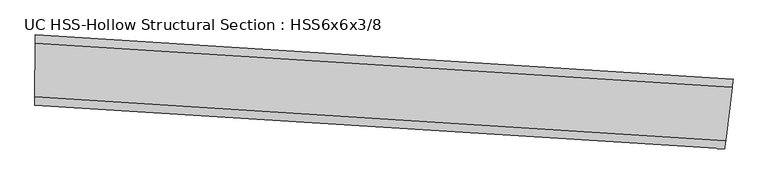
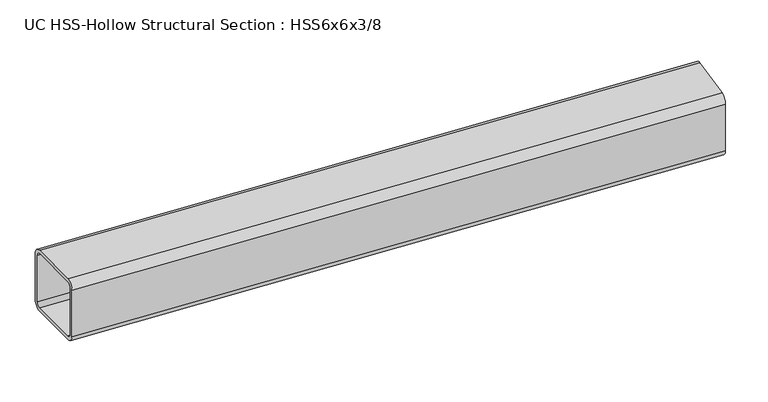
"""IFC4 building model written with IfcOpenShell, lengths in millimetres: beam geometry, UC HSS-Hollow Structural Section : HSS6x6x3/8."""

from ifc_helpers import new_model, si_unit, point, frame, origin, place, context, project, spatial, polyline, circle_curve, ellipse_curve, trimmed, source, transform, mapped, element, save
from ifc_brep_helpers import plane_surface, cylinder_surface, revolved_surface, advanced_brep


def uc_hss_hollow_structural_section_hss6x6x3_8_a5ef4bf2(model_context):
    return source(origin(), model_context, "Body", "AdvancedBrep", [
        advanced_brep(
        [(1603.5656204, -20.1567265, 58.4708), (1601.4426245, -37.7583577, 76.2), (1587.4393678, -153.8585154, 76.2), (1585.3163719, -171.4601466, 58.4708), (1585.3163719, -171.4601466, -58.4708), (1587.4393678, -153.8585154, -76.2), (1601.4426245, -37.7583577, -76.2), (1603.5656204, -20.1567265, -58.4708), (1587.4393678, -153.8585154, 67.3354), (1601.4426245, -37.7583577, 67.3354), (1602.5041224, -28.9575421, 58.4708), (1602.5041224, -28.9575421, -58.4708), (1601.4426245, -37.7583577, -67.3354), (1587.4393678, -153.8585154, -67.3354), (1586.3778699, -162.659331, -58.4708), (1586.3778699, -162.659331, 58.4708), (88.7461303, 75.9059326, 58.4708), (88.7461303, 75.9059326, -58.4708), (88.6286374, 58.1771219, -76.2), (87.8536552, -58.7619101, -76.2), (87.7361622, -76.4907208, -58.4708), (87.7361622, -76.4907208, 58.4708), (87.8536552, -58.7619101, 76.2), (88.6286374, 58.1771219, 76.2), (87.8536552, -58.7619101, 67.3354), (87.7949087, -67.6263155, 58.4708), (87.7949087, -67.6263155, -58.4708), (87.8536552, -58.7619101, -67.3354), (88.6286374, 58.1771219, -67.3354), (88.6873839, 67.0415272, -58.4708), (88.6873839, 67.0415272, 58.4708), (88.6286374, 58.1771219, 67.3354)],
        [
            (0, 1, circle_curve(frame((1601.4426245, -37.7583577, 58.4708), z_axis=(0.99280459378382, -0.11974572460737093, 0.0), x_axis=(-0.11974572460737093, -0.99280459378382, 0.0)), 17.7292)),
            (1, 2),
            (2, 3, circle_curve(frame((1587.4393678, -153.8585154, 58.4708), z_axis=(0.99280459378382, -0.11974572460737093, 0.0), x_axis=(-0.11974572460737093, -0.99280459378382, 0.0)), 17.7292)),
            (3, 4),
            (4, 5, circle_curve(frame((1587.4393678, -153.8585154, -58.4708), z_axis=(0.99280459378382, -0.11974572460737093, 0.0), x_axis=(-0.11974572460737093, -0.99280459378382, 0.0)), 17.7292)),
            (5, 6),
            (6, 7, circle_curve(frame((1601.4426245, -37.7583577, -58.4708), z_axis=(0.99280459378382, -0.11974572460737093, 0.0), x_axis=(-0.11974572460737093, -0.99280459378382, 0.0)), 17.7292)),
            (7, 0),
            (8, 9),
            (9, 10, circle_curve(frame((1601.4426245, -37.7583577, 58.4708), z_axis=(-0.99280459378382, 0.11974572460737093, 0.0), x_axis=(-0.11974572460737093, -0.99280459378382, 0.0)), 8.8646)),
            (10, 11),
            (11, 12, circle_curve(frame((1601.4426245, -37.7583577, -58.4708), z_axis=(-0.99280459378382, 0.11974572460737093, 0.0), x_axis=(-0.11974572460737093, -0.99280459378382, 0.0)), 8.8646)),
            (12, 13),
            (13, 14, circle_curve(frame((1587.4393678, -153.8585154, -58.4708), z_axis=(-0.99280459378382, 0.11974572460737093, 0.0), x_axis=(-0.11974572460737093, -0.99280459378382, 0.0)), 8.8646)),
            (14, 15),
            (15, 8, circle_curve(frame((1587.4393678, -153.8585154, 58.4708), z_axis=(-0.99280459378382, 0.11974572460737093, 0.0), x_axis=(-0.11974572460737093, -0.99280459378382, 0.0)), 8.8646)),
            (16, 17),
            (17, 18, circle_curve(frame((88.6286374, 58.1771219, -58.4708), z_axis=(-0.9999780406145057, 0.006627087503126072, 0.0), x_axis=(-0.006627087503126072, -0.9999780406145057, 0.0)), 17.7292)),
            (18, 19),
            (19, 20, circle_curve(frame((87.8536552, -58.7619101, -58.4708), z_axis=(-0.9999780406145057, 0.006627087503126072, 0.0), x_axis=(-0.006627087503126072, -0.9999780406145057, 0.0)), 17.7292)),
            (20, 21),
            (21, 22, circle_curve(frame((87.8536552, -58.7619101, 58.4708), z_axis=(-0.9999780406145057, 0.006627087503126072, 0.0), x_axis=(-0.006627087503126072, -0.9999780406145057, 0.0)), 17.7292)),
            (22, 23),
            (23, 16, circle_curve(frame((88.6286374, 58.1771219, 58.4708), z_axis=(-0.9999780406145057, 0.006627087503126072, 0.0), x_axis=(-0.006627087503126072, -0.9999780406145057, 0.0)), 17.7292)),
            (24, 25, circle_curve(frame((87.8536552, -58.7619101, 58.4708), z_axis=(0.9999780406145057, -0.006627087503126072, 0.0), x_axis=(-0.006627087503126072, -0.9999780406145057, 0.0)), 8.8646)),
            (25, 26),
            (26, 27, circle_curve(frame((87.8536552, -58.7619101, -58.4708), z_axis=(0.9999780406145057, -0.006627087503126072, 0.0), x_axis=(-0.006627087503126072, -0.9999780406145057, 0.0)), 8.8646)),
            (27, 28),
            (28, 29, circle_curve(frame((88.6286374, 58.1771219, -58.4708), z_axis=(0.9999780406145057, -0.006627087503126072, 0.0), x_axis=(-0.006627087503126072, -0.9999780406145057, 0.0)), 8.8646)),
            (29, 30),
            (30, 31, circle_curve(frame((88.6286374, 58.1771219, 58.4708), z_axis=(0.9999780406145057, -0.006627087503126072, 0.0), x_axis=(-0.006627087503126072, -0.9999780406145057, 0.0)), 8.8646)),
            (31, 24),
            (0, 16, circle_curve(frame((0.0, -13315.2227471, 58.4708), z_axis=(0.0, 0.0, 1.0), x_axis=(-0.3555816928590108, -0.9346452052535873, 0.0)), 13391.4227471)),
            (23, 1, circle_curve(frame((0.0, -13315.2227471, 76.2), z_axis=(0.0, 0.0, -1.0), x_axis=(-0.3555816928590108, -0.9346452052535873, 0.0)), 13373.6935471)),
            (22, 2, circle_curve(frame((0.0, -13315.2227471, 76.2), z_axis=(0.0, 0.0, -1.0), x_axis=(-0.3555816928590108, -0.9346452052535873, 0.0)), 13256.7519471)),
            (21, 3, circle_curve(frame((0.0, -13315.2227471, 58.4708), z_axis=(0.0, 0.0, -1.0), x_axis=(-0.3555816928590108, -0.9346452052535873, 0.0)), 13239.0227471)),
            (20, 4, circle_curve(frame((0.0, -13315.2227471, -58.4708), z_axis=(0.0, 0.0, -1.0), x_axis=(-0.3555816928590108, -0.9346452052535873, 0.0)), 13239.0227471)),
            (19, 5, circle_curve(frame((0.0, -13315.2227471, -76.2), z_axis=(0.0, 0.0, -1.0), x_axis=(-0.3555816928590108, -0.9346452052535873, 0.0)), 13256.7519471)),
            (18, 6, circle_curve(frame((0.0, -13315.2227471, -76.2), z_axis=(0.0, 0.0, -1.0), x_axis=(-0.3555816928590108, -0.9346452052535873, 0.0)), 13373.6935471)),
            (17, 7, circle_curve(frame((0.0, -13315.2227471, -58.4708), z_axis=(0.0, 0.0, -1.0), x_axis=(-0.3555816928590108, -0.9346452052535873, 0.0)), 13391.4227471)),
            (8, 24, circle_curve(frame((0.0, -13315.2227471, 67.3354), z_axis=(0.0, 0.0, 1.0), x_axis=(-0.3555816928590108, -0.9346452052535873, 0.0)), 13256.7519471)),
            (31, 9, circle_curve(frame((0.0, -13315.2227471, 67.3354), z_axis=(0.0, 0.0, -1.0), x_axis=(-0.3555816928590108, -0.9346452052535873, 0.0)), 13373.6935471)),
            (30, 10, circle_curve(frame((0.0, -13315.2227471, 58.4708), z_axis=(0.0, 0.0, -1.0), x_axis=(-0.3555816928590108, -0.9346452052535873, 0.0)), 13382.5581471)),
            (29, 11, circle_curve(frame((0.0, -13315.2227471, -58.4708), z_axis=(0.0, 0.0, -1.0), x_axis=(-0.3555816928590108, -0.9346452052535873, 0.0)), 13382.5581471)),
            (28, 12, circle_curve(frame((0.0, -13315.2227471, -67.3354), z_axis=(0.0, 0.0, -1.0), x_axis=(-0.3555816928590108, -0.9346452052535873, 0.0)), 13373.6935471)),
            (27, 13, circle_curve(frame((0.0, -13315.2227471, -67.3354), z_axis=(0.0, 0.0, -1.0), x_axis=(-0.3555816928590108, -0.9346452052535873, 0.0)), 13256.7519471)),
            (26, 14, circle_curve(frame((0.0, -13315.2227471, -58.4708), z_axis=(0.0, 0.0, -1.0), x_axis=(-0.3555816928590108, -0.9346452052535873, 0.0)), 13247.8873471)),
            (25, 15, circle_curve(frame((0.0, -13315.2227471, 58.4708), z_axis=(0.0, 0.0, -1.0), x_axis=(-0.3555816928590108, -0.9346452052535873, 0.0)), 13247.8873471)),
        ],
        [
            plane_surface(frame((1594.4409962, -95.8084365, 0.0), z_axis=(0.9928045937838192, -0.11974572460737729, 0.0), x_axis=(0.0, 0.0, 1.0))),
            plane_surface(frame((88.2411463, -0.2923941, 0.0), z_axis=(-0.9999780406145057, 0.006627087503132456, 0.0), x_axis=(0.0, 0.0, 1.0))),
            revolved_surface(trimmed(ellipse_curve(frame((-4755.4405912, -25814.8812974, 58.4708), z_axis=(0.9346452052535895, -0.35558169285900487, 0.0), x_axis=(0.35558169285900487, 0.9346452052535895, 0.0)), 17.7292, 17.7292), [point((-4755.4405912, -25814.8812974, 76.2))], [point((-4761.7447702, -25831.4518092, 58.4708))], True, "CARTESIAN"), (0.0, -13315.2227471, 0.0), (0.0, 0.0, -1.0000000000000002)),
            plane_surface(frame((0.0, -13315.2227471, 76.2), z_axis=(0.0, 0.0, 1.0000000000000002), x_axis=(-0.3555816928590108, -0.9346452052535873, 0.0))),
            revolved_surface(trimmed(ellipse_curve(frame((-4713.8582992, -25705.5823917, 58.4708), z_axis=(0.9346452052535895, -0.35558169285900487, 0.0), x_axis=(0.35558169285900487, 0.9346452052535895, 0.0)), 17.7292, 17.7292), [point((-4707.5541202, -25689.0118799, 58.4708))], [point((-4713.8582992, -25705.5823917, 76.2))], True, "CARTESIAN"), (0.0, -13315.2227471, 0.0), (0.0, 0.0, -1.0000000000000002)),
            revolved_surface(polyline([(-4707.55412021277, -25689.011879920192, -58.470800000000025), (-4707.55412021277, -25689.011879920192, 58.470800000000025)]), (0.0, -13315.2227471, 0.0), (0.0, 0.0, -1.0000000000000002)),
            revolved_surface(trimmed(ellipse_curve(frame((-4713.8582992, -25705.5823917, -58.4708), z_axis=(0.9346452052535895, -0.35558169285900487, 0.0), x_axis=(0.35558169285900487, 0.9346452052535895, 0.0)), 17.7292, 17.7292), [point((-4713.8582992, -25705.5823917, -76.2))], [point((-4707.5541202, -25689.0118799, -58.4708))], True, "CARTESIAN"), (0.0, -13315.2227471, 0.0), (0.0, 0.0, -1.0000000000000002)),
            plane_surface(frame((0.0, -13315.2227471, -76.2), z_axis=(0.0, 0.0, -1.0000000000000002), x_axis=(-0.3555816928590108, -0.9346452052535873, 0.0))),
            revolved_surface(trimmed(ellipse_curve(frame((-4755.4405912, -25814.8812974, -58.4708), z_axis=(0.9346452052535895, -0.35558169285900487, 0.0), x_axis=(0.35558169285900487, 0.9346452052535895, 0.0)), 17.7292, 17.7292), [point((-4761.7447702, -25831.4518092, -58.4708))], [point((-4755.4405912, -25814.8812974, -76.2))], True, "CARTESIAN"), (0.0, -13315.2227471, 0.0), (0.0, 0.0, -1.0000000000000002)),
            cylinder_surface(frame((0.0, -13315.2227471, 0.0), z_axis=(0.0, 0.0, -1.0000000000000002), x_axis=(-0.3555816928590108, -0.9346452052535873, 0.0)), 13391.4227471),
            plane_surface(frame((0.0, -13315.2227471, 67.3354), z_axis=(0.0, 0.0, -1.0000000000000002), x_axis=(-0.3555816928590108, -0.9346452052535873, 0.0))),
            revolved_surface(trimmed(ellipse_curve(frame((-4755.4405912, -25814.8812974, 58.4708), z_axis=(-0.9346452052535895, 0.35558169285900487, 0.0), x_axis=(0.35558169285900487, 0.9346452052535895, 0.0)), 8.8646, 8.8646), [point((-4758.5926807, -25823.1665533, 58.4708))], [point((-4755.4405912, -25814.8812974, 67.3354))], True, "CARTESIAN"), (0.0, -13315.2227471, 0.0), (0.0, 0.0, -1.0000000000000002)),
            revolved_surface(polyline([(-4758.592680729966, -25823.166553314346, -58.470800000000025), (-4758.592680729966, -25823.166553314346, 58.470800000000025)]), (0.0, -13315.2227471, 0.0), (0.0, 0.0, -1.0000000000000002)),
            revolved_surface(trimmed(ellipse_curve(frame((-4755.4405912, -25814.8812974, -58.4708), z_axis=(-0.9346452052535895, 0.35558169285900487, 0.0), x_axis=(0.35558169285900487, 0.9346452052535895, 0.0)), 8.8646, 8.8646), [point((-4755.4405912, -25814.8812974, -67.3354))], [point((-4758.5926807, -25823.1665533, -58.4708))], True, "CARTESIAN"), (0.0, -13315.2227471, 0.0), (0.0, 0.0, -1.0000000000000002)),
            plane_surface(frame((0.0, -13315.2227471, -67.3354), z_axis=(0.0, 0.0, 1.0000000000000002), x_axis=(-0.3555816928590108, -0.9346452052535873, 0.0))),
            revolved_surface(trimmed(ellipse_curve(frame((-4713.8582992, -25705.5823917, -58.4708), z_axis=(-0.9346452052535895, 0.35558169285900487, 0.0), x_axis=(0.35558169285900487, 0.9346452052535895, 0.0)), 8.8646, 8.8646), [point((-4710.7062097, -25697.2971358, -58.4708))], [point((-4713.8582992, -25705.5823917, -67.3354))], True, "CARTESIAN"), (0.0, -13315.2227471, 0.0), (0.0, 0.0, -1.0000000000000002)),
            cylinder_surface(frame((0.0, -13315.2227471, 0.0), z_axis=(0.0, 0.0, -1.0000000000000002), x_axis=(-0.3555816928590108, -0.9346452052535873, 0.0)), 13247.8873471),
            revolved_surface(trimmed(ellipse_curve(frame((-4713.8582992, -25705.5823917, 58.4708), z_axis=(-0.9346452052535895, 0.35558169285900487, 0.0), x_axis=(0.35558169285900487, 0.9346452052535895, 0.0)), 8.8646, 8.8646), [point((-4713.8582992, -25705.5823917, 67.3354))], [point((-4710.7062097, -25697.2971358, 58.4708))], True, "CARTESIAN"), (0.0, -13315.2227471, 0.0), (0.0, 0.0, -1.0000000000000002)),
        ],
        [
            (0, [[1, 2, 3, 4, 5, 6, 7, 8], [9, 10, 11, 12, 13, 14, 15, 16]]),
            (1, [[17, 18, 19, 20, 21, 22, 23, 24], [25, 26, 27, 28, 29, 30, 31, 32]]),
            (2, [[-1, 33, -24, 34]]),
            (3, [[-2, -34, -23, 35]]),
            (4, [[-3, -35, -22, 36]]),
            (5, [[-4, -36, -21, 37]]),
            (6, [[-5, -37, -20, 38]]),
            (7, [[-6, -38, -19, 39]]),
            (8, [[-7, -39, -18, 40]]),
            (9, [[-8, -40, -17, -33]]),
            (10, [[-9, 41, -32, 42]]),
            (11, [[-10, -42, -31, 43]]),
            (12, [[-11, -43, -30, 44]]),
            (13, [[-12, -44, -29, 45]]),
            (14, [[-13, -45, -28, 46]]),
            (15, [[-14, -46, -27, 47]]),
            (16, [[-15, -47, -26, 48]]),
            (17, [[-16, -48, -25, -41]]),
        ],
    ),
    ])


if __name__ == "__main__":
    model = new_model("IFC4")
    model_context = context("Model", 3, world=origin())
    ifc_project = project(units=[si_unit("LENGTHUNIT", "METRE", prefix="MILLI")], contexts=[model_context])
    site = spatial("IfcSite", under=ifc_project)
    building = spatial("IfcBuilding", under=site)
    placement = place(None, origin())
    uc_hss_hollow_structural_section_hss6x6x3_8_shape = uc_hss_hollow_structural_section_hss6x6x3_8_a5ef4bf2(model_context)
    element("IfcBeam", 1, ObjectType="UC HSS-Hollow Structural Section : HSS6x6x3/8", at=placement, inside=building, context=model_context, shape_type="MappedRepresentation", body=[
        mapped(uc_hss_hollow_structural_section_hss6x6x3_8_shape, transform((0.0, 0.0, 0.0), x_axis=(1.0, 0.0, 0.0), y_axis=(0.0, 1.0, 0.0), z_axis=(0.0, 0.0, 1.0))),
    ])
    save(model, "model.ifc")
